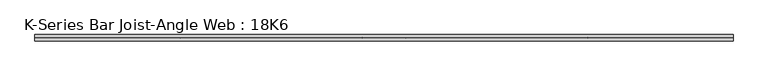
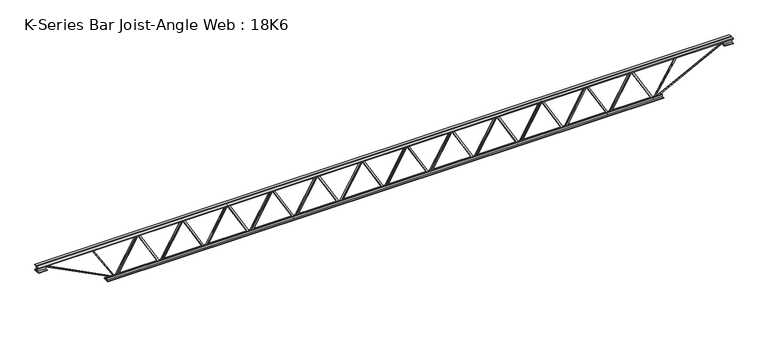
"""IFC4 building model written with IfcOpenShell, lengths in millimetres: beam geometry, K-Series Bar Joist-Angle Web : 18K6."""

from ifc_helpers import new_model, si_unit, frame, origin, place, context, project, spatial, polyline, outline, extrude, faceted_brep, source, transform, mapped, element, save


def k_series_bar_joist_angle_web_18k6_914df001(model_context):
    return source(origin(), model_context, "Body", "SolidModel", [
        extrude(outline(polyline([(-4.7625, 4.7625001), (-4.7625, 0.0), (-17.4625, 0.0), (-17.4625, 4.7625001), (-4.7625, 4.7625001)])), frame((2592.6208348, 0.0, -190.5), z_axis=(-0.500701704226243, 0.0, 0.865619895441952), x_axis=(0.0, -1.0, 0.0)), (0.0, 0.0, 1.0), 440.1469999),
        extrude(outline(polyline([(-225.425, 2624.6666667), (-206.375, 2624.6666667), (-206.375, 2623.8107828), (225.425, 2374.0441162), (225.425, 2355.85), (206.375, 2355.85), (206.375, 2363.0558838), (-225.425, 2612.8225505), (-225.425, 2624.6666667)])), frame((0.0, 0.0, 0.0), z_axis=(0.0, 1.0, 0.0), x_axis=(0.0, 0.0, 1.0)), (0.0, 0.0, 1.0), 4.7625),
        faceted_brep([(2099.7333333, 0.0, -206.375), (2099.7333333, 0.0, -225.425), (2099.7333333, -4.7625, -225.425), (2099.7333333, -4.7625, -206.375), (2100.5892172, 0.0, -206.375), (2350.3558838, 0.0, 225.425), (2368.55, 0.0, 225.425), (2368.55, 0.0, 206.375), (2361.3441162, 0.0, 206.375), (2111.5774495, 0.0, -225.425), (2111.5774495, -4.7625, -225.425), (2131.7791652, -4.7625, -190.5), (2127.6566504, -4.7625, -188.1154081), (2348.0390034, -4.7625, 192.8845919), (2352.1615181, -4.7625, 190.5), (2361.3441162, -4.7625, 206.375), (2368.55, -4.7625, 206.375), (2368.55, -4.7625, 225.425), (2350.3558838, -4.7625, 225.425), (2100.5892172, -4.7625, -206.375), (2352.1615181, -17.4625, 190.5), (2131.7791652, -17.4625, -190.5), (2127.6566504, -17.4625, -188.1154081), (2348.0390034, -17.4625, 192.8845919)], [[[0, 1, 2, 3]], [[1, 0, 4, 5, 6, 7, 8, 9]], [[2, 1, 9, 10]], [[3, 2, 10, 11, 12, 13, 14, 15, 16, 17, 18, 19]], [[0, 3, 19, 4]], [[9, 8, 15, 14, 20, 21, 11, 10]], [[5, 4, 19, 18]], [[7, 6, 17, 16]], [[8, 7, 16, 15]], [[6, 5, 18, 17]], [[21, 22, 12, 11]], [[20, 14, 13, 23]], [[22, 21, 20, 23]], [[12, 22, 23, 13]]]),
        extrude(outline(polyline([(-4.7625, 4.7625), (-4.7625, 0.0), (-17.4625, 0.0), (-17.4625, 4.7625), (-4.7625, 4.7625)])), frame((2067.6875015, 0.0, -190.5), z_axis=(-0.500701704226243, 0.0, 0.865619895441952), x_axis=(0.0, -1.0, 0.0)), (0.0, 0.0, 1.0), 440.1469999),
        extrude(outline(polyline([(-225.425, 2099.7333333), (-206.375, 2099.7333333), (-206.375, 2098.8774495), (225.425, 1849.1107828), (225.425, 1830.9166667), (206.375, 1830.9166667), (206.375, 1838.1225505), (-225.425, 2087.8892172), (-225.425, 2099.7333333)])), frame((0.0, 0.0, 0.0), z_axis=(0.0, 1.0, 0.0), x_axis=(0.0, 0.0, 1.0)), (0.0, 0.0, 1.0), 4.7625),
        faceted_brep([(1574.8, 0.0, -206.375), (1574.8, 0.0, -225.425), (1574.8, -4.7625, -225.425), (1574.8, -4.7625, -206.375), (1575.6558838, 0.0, -206.375), (1825.4225505, 0.0, 225.425), (1843.6166667, 0.0, 225.425), (1843.6166667, 0.0, 206.375), (1836.4107828, 0.0, 206.375), (1586.6441162, 0.0, -225.425), (1586.6441162, -4.7625, -225.425), (1606.8458319, -4.7625, -190.5), (1602.7233171, -4.7625, -188.1154081), (1823.10567, -4.7625, 192.8845919), (1827.2281848, -4.7625, 190.5), (1836.4107828, -4.7625, 206.375), (1843.6166667, -4.7625, 206.375), (1843.6166667, -4.7625, 225.425), (1825.4225505, -4.7625, 225.425), (1575.6558838, -4.7625, -206.375), (1827.2281848, -17.4625, 190.5), (1606.8458319, -17.4625, -190.5), (1602.7233171, -17.4625, -188.1154081), (1823.10567, -17.4625, 192.8845919)], [[[0, 1, 2, 3]], [[1, 0, 4, 5, 6, 7, 8, 9]], [[2, 1, 9, 10]], [[3, 2, 10, 11, 12, 13, 14, 15, 16, 17, 18, 19]], [[0, 3, 19, 4]], [[9, 8, 15, 14, 20, 21, 11, 10]], [[5, 4, 19, 18]], [[7, 6, 17, 16]], [[8, 7, 16, 15]], [[6, 5, 18, 17]], [[21, 22, 12, 11]], [[20, 14, 13, 23]], [[22, 21, 20, 23]], [[12, 22, 23, 13]]]),
        extrude(outline(polyline([(-4.7625, 4.7625001), (-4.7625, 0.0), (-17.4625, 0.0), (-17.4625, 4.7625001), (-4.7625, 4.7625001)])), frame((1542.7541681, 0.0, -190.5), z_axis=(-0.500701704226243, 0.0, 0.865619895441952), x_axis=(0.0, -1.0, 0.0)), (0.0, 0.0, 1.0), 440.1469999),
        extrude(outline(polyline([(-225.425, 1574.8), (-206.375, 1574.8), (-206.375, 1573.9441162), (225.425, 1324.1774495), (225.425, 1305.9833333), (206.375, 1305.9833333), (206.375, 1313.1892172), (-225.425, 1562.9558838), (-225.425, 1574.8)])), frame((0.0, 0.0, 0.0), z_axis=(0.0, 1.0, 0.0), x_axis=(0.0, 0.0, 1.0)), (0.0, 0.0, 1.0), 4.7625),
        faceted_brep([(1049.8666667, 0.0, -206.375), (1049.8666667, 0.0, -225.425), (1049.8666667, -4.7625, -225.425), (1049.8666667, -4.7625, -206.375), (1050.7225505, 0.0, -206.375), (1300.4892172, 0.0, 225.425), (1318.6833333, 0.0, 225.425), (1318.6833333, 0.0, 206.375), (1311.4774495, 0.0, 206.375), (1061.7107828, 0.0, -225.425), (1061.7107828, -4.7625, -225.425), (1081.9124985, -4.7625, -190.5), (1077.7899838, -4.7625, -188.1154081), (1298.1723367, -4.7625, 192.8845919), (1302.2948515, -4.7625, 190.5), (1311.4774495, -4.7625, 206.375), (1318.6833333, -4.7625, 206.375), (1318.6833333, -4.7625, 225.425), (1300.4892172, -4.7625, 225.425), (1050.7225505, -4.7625, -206.375), (1302.2948515, -17.4625, 190.5), (1081.9124985, -17.4625, -190.5), (1077.7899838, -17.4625, -188.1154081), (1298.1723367, -17.4625, 192.8845919)], [[[0, 1, 2, 3]], [[1, 0, 4, 5, 6, 7, 8, 9]], [[2, 1, 9, 10]], [[3, 2, 10, 11, 12, 13, 14, 15, 16, 17, 18, 19]], [[0, 3, 19, 4]], [[9, 8, 15, 14, 20, 21, 11, 10]], [[5, 4, 19, 18]], [[7, 6, 17, 16]], [[8, 7, 16, 15]], [[6, 5, 18, 17]], [[21, 22, 12, 11]], [[20, 14, 13, 23]], [[22, 21, 20, 23]], [[12, 22, 23, 13]]]),
        extrude(outline(polyline([(-4.7625, 4.7625001), (-4.7625, 0.0), (-17.4625, 0.0), (-17.4625, 4.7625001), (-4.7625, 4.7625001)])), frame((1017.8208348, 0.0, -190.5), z_axis=(-0.500701704226243, 0.0, 0.865619895441952), x_axis=(0.0, -1.0, 0.0)), (0.0, 0.0, 1.0), 440.1469999),
        extrude(outline(polyline([(-225.425, 1049.8666667), (-206.375, 1049.8666667), (-206.375, 1049.0107828), (225.425, 799.2441162), (225.425, 781.05), (206.375, 781.05), (206.375, 788.2558838), (-225.425, 1038.0225505), (-225.425, 1049.8666667)])), frame((0.0, 0.0, 0.0), z_axis=(0.0, 1.0, 0.0), x_axis=(0.0, 0.0, 1.0)), (0.0, 0.0, 1.0), 4.7625),
        faceted_brep([(524.9333333, 0.0, -206.375), (524.9333333, 0.0, -225.425), (524.9333333, -4.7625, -225.425), (524.9333333, -4.7625, -206.375), (525.7892172, 0.0, -206.375), (775.5558838, 0.0, 225.425), (793.75, 0.0, 225.425), (793.75, 0.0, 206.375), (786.5441162, 0.0, 206.375), (536.7774495, 0.0, -225.425), (536.7774495, -4.7625, -225.425), (556.9791652, -4.7625, -190.5), (552.8566504, -4.7625, -188.1154081), (773.2390034, -4.7625, 192.8845919), (777.3615181, -4.7625, 190.5), (786.5441162, -4.7625, 206.375), (793.75, -4.7625, 206.375), (793.75, -4.7625, 225.425), (775.5558838, -4.7625, 225.425), (525.7892172, -4.7625, -206.375), (777.3615181, -17.4625, 190.5), (556.9791652, -17.4625, -190.5), (552.8566504, -17.4625, -188.1154081), (773.2390034, -17.4625, 192.8845919)], [[[0, 1, 2, 3]], [[1, 0, 4, 5, 6, 7, 8, 9]], [[2, 1, 9, 10]], [[3, 2, 10, 11, 12, 13, 14, 15, 16, 17, 18, 19]], [[0, 3, 19, 4]], [[9, 8, 15, 14, 20, 21, 11, 10]], [[5, 4, 19, 18]], [[7, 6, 17, 16]], [[8, 7, 16, 15]], [[6, 5, 18, 17]], [[21, 22, 12, 11]], [[20, 14, 13, 23]], [[22, 21, 20, 23]], [[12, 22, 23, 13]]]),
        extrude(outline(polyline([(-4.7625, 4.7625), (-4.7625, 0.0), (-17.4625, 0.0), (-17.4625, 4.7625), (-4.7625, 4.7625)])), frame((492.8875015, 0.0, -190.5), z_axis=(-0.500701704226243, 0.0, 0.865619895441952), x_axis=(0.0, -1.0, 0.0)), (0.0, 0.0, 1.0), 440.1469999),
        extrude(outline(polyline([(-225.425, 524.9333333), (-206.375, 524.9333333), (-206.375, 524.0774495), (225.425, 274.3107828), (225.425, 256.1166667), (206.375, 256.1166667), (206.375, 263.3225505), (-225.425, 513.0892172), (-225.425, 524.9333333)])), frame((0.0, 0.0, 0.0), z_axis=(0.0, 1.0, 0.0), x_axis=(0.0, 0.0, 1.0)), (0.0, 0.0, 1.0), 4.7625),
        faceted_brep([(0.0, 0.0, -206.375), (0.0, 0.0, -225.425), (0.0, -4.7625, -225.425), (0.0, -4.7625, -206.375), (0.8558838, 0.0, -206.375), (250.6225505, 0.0, 225.425), (268.8166667, 0.0, 225.425), (268.8166667, 0.0, 206.375), (261.6107828, 0.0, 206.375), (11.8441162, 0.0, -225.425), (11.8441162, -4.7625, -225.425), (32.0458319, -4.7625, -190.5), (27.9233171, -4.7625, -188.1154081), (248.30567, -4.7625, 192.8845919), (252.4281848, -4.7625, 190.5), (261.6107828, -4.7625, 206.375), (268.8166667, -4.7625, 206.375), (268.8166667, -4.7625, 225.425), (250.6225505, -4.7625, 225.425), (0.8558838, -4.7625, -206.375), (252.4281848, -17.4625, 190.5), (32.0458319, -17.4625, -190.5), (27.9233171, -17.4625, -188.1154081), (248.30567, -17.4625, 192.8845919)], [[[0, 1, 2, 3]], [[1, 0, 4, 5, 6, 7, 8, 9]], [[2, 1, 9, 10]], [[3, 2, 10, 11, 12, 13, 14, 15, 16, 17, 18, 19]], [[0, 3, 19, 4]], [[9, 8, 15, 14, 20, 21, 11, 10]], [[5, 4, 19, 18]], [[7, 6, 17, 16]], [[8, 7, 16, 15]], [[6, 5, 18, 17]], [[21, 22, 12, 11]], [[20, 14, 13, 23]], [[22, 21, 20, 23]], [[12, 22, 23, 13]]]),
        extrude(outline(polyline([(-4.7625, 4.7625001), (-4.7625, 0.0), (-17.4625, 0.0), (-17.4625, 4.7625001), (-4.7625, 4.7625001)])), frame((-32.0458319, 0.0, -190.5), z_axis=(-0.500701704226243, 0.0, 0.865619895441952), x_axis=(0.0, -1.0, 0.0)), (0.0, 0.0, 1.0), 440.1469999),
        extrude(outline(polyline([(-225.425, 0.0), (-206.375, 0.0), (-206.375, -0.8558838), (225.425, -250.6225505), (225.425, -268.8166667), (206.375, -268.8166667), (206.375, -261.6107828), (-225.425, -11.8441162), (-225.425, 0.0)])), frame((0.0, 0.0, 0.0), z_axis=(0.0, 1.0, 0.0), x_axis=(0.0, 0.0, 1.0)), (0.0, 0.0, 1.0), 4.7625),
        faceted_brep([(-524.9333333, 0.0, -206.375), (-524.9333333, 0.0, -225.425), (-524.9333333, -4.7625, -225.425), (-524.9333333, -4.7625, -206.375), (-524.0774495, 0.0, -206.375), (-274.3107828, 0.0, 225.425), (-256.1166667, 0.0, 225.425), (-256.1166667, 0.0, 206.375), (-263.3225505, 0.0, 206.375), (-513.0892172, 0.0, -225.425), (-513.0892172, -4.7625, -225.425), (-492.8875015, -4.7625, -190.5), (-497.0100162, -4.7625, -188.1154081), (-276.6276633, -4.7625, 192.8845919), (-272.5051485, -4.7625, 190.5), (-263.3225505, -4.7625, 206.375), (-256.1166667, -4.7625, 206.375), (-256.1166667, -4.7625, 225.425), (-274.3107828, -4.7625, 225.425), (-524.0774495, -4.7625, -206.375), (-272.5051485, -17.4625, 190.5), (-492.8875015, -17.4625, -190.5), (-497.0100162, -17.4625, -188.1154081), (-276.6276633, -17.4625, 192.8845919)], [[[0, 1, 2, 3]], [[1, 0, 4, 5, 6, 7, 8, 9]], [[2, 1, 9, 10]], [[3, 2, 10, 11, 12, 13, 14, 15, 16, 17, 18, 19]], [[0, 3, 19, 4]], [[9, 8, 15, 14, 20, 21, 11, 10]], [[5, 4, 19, 18]], [[7, 6, 17, 16]], [[8, 7, 16, 15]], [[6, 5, 18, 17]], [[21, 22, 12, 11]], [[20, 14, 13, 23]], [[22, 21, 20, 23]], [[12, 22, 23, 13]]]),
        extrude(outline(polyline([(-4.7625, 4.7625001), (-4.7625, 0.0), (-17.4625, 0.0), (-17.4625, 4.7625001), (-4.7625, 4.7625001)])), frame((-556.9791652, 0.0, -190.5), z_axis=(-0.500701704226243, 0.0, 0.865619895441952), x_axis=(0.0, -1.0, 0.0)), (0.0, 0.0, 1.0), 440.1469999),
        extrude(outline(polyline([(-225.425, -524.9333333), (-206.375, -524.9333333), (-206.375, -525.7892172), (225.425, -775.5558838), (225.425, -793.75), (206.375, -793.75), (206.375, -786.5441162), (-225.425, -536.7774495), (-225.425, -524.9333333)])), frame((0.0, 0.0, 0.0), z_axis=(0.0, 1.0, 0.0), x_axis=(0.0, 0.0, 1.0)), (0.0, 0.0, 1.0), 4.7625),
        faceted_brep([(-1049.8666667, 0.0, -206.375), (-1049.8666667, 0.0, -225.425), (-1049.8666667, -4.7625, -225.425), (-1049.8666667, -4.7625, -206.375), (-1049.0107828, 0.0, -206.375), (-799.2441162, 0.0, 225.425), (-781.05, 0.0, 225.425), (-781.05, 0.0, 206.375), (-788.2558838, 0.0, 206.375), (-1038.0225505, 0.0, -225.425), (-1038.0225505, -4.7625, -225.425), (-1017.8208348, -4.7625, -190.5), (-1021.9433496, -4.7625, -188.1154081), (-801.5609966, -4.7625, 192.8845919), (-797.4384819, -4.7625, 190.5), (-788.2558838, -4.7625, 206.375), (-781.05, -4.7625, 206.375), (-781.05, -4.7625, 225.425), (-799.2441162, -4.7625, 225.425), (-1049.0107828, -4.7625, -206.375), (-797.4384819, -17.4625, 190.5), (-1017.8208348, -17.4625, -190.5), (-1021.9433496, -17.4625, -188.1154081), (-801.5609966, -17.4625, 192.8845919)], [[[0, 1, 2, 3]], [[1, 0, 4, 5, 6, 7, 8, 9]], [[2, 1, 9, 10]], [[3, 2, 10, 11, 12, 13, 14, 15, 16, 17, 18, 19]], [[0, 3, 19, 4]], [[9, 8, 15, 14, 20, 21, 11, 10]], [[5, 4, 19, 18]], [[7, 6, 17, 16]], [[8, 7, 16, 15]], [[6, 5, 18, 17]], [[21, 22, 12, 11]], [[20, 14, 13, 23]], [[22, 21, 20, 23]], [[12, 22, 23, 13]]]),
        extrude(outline(polyline([(-4.7625, 4.7625), (-4.7625, 0.0), (-17.4625, 0.0), (-17.4625, 4.7625), (-4.7625, 4.7625)])), frame((-1081.9124985, 0.0, -190.5), z_axis=(-0.500701704226243, 0.0, 0.865619895441952), x_axis=(0.0, -1.0, 0.0)), (0.0, 0.0, 1.0), 440.1469999),
        extrude(outline(polyline([(-225.425, -1049.8666667), (-206.375, -1049.8666667), (-206.375, -1050.7225505), (225.425, -1300.4892172), (225.425, -1318.6833333), (206.375, -1318.6833333), (206.375, -1311.4774495), (-225.425, -1061.7107828), (-225.425, -1049.8666667)])), frame((0.0, 0.0, 0.0), z_axis=(0.0, 1.0, 0.0), x_axis=(0.0, 0.0, 1.0)), (0.0, 0.0, 1.0), 4.7625),
        faceted_brep([(-1574.8, 0.0, -206.375), (-1574.8, 0.0, -225.425), (-1574.8, -4.7625, -225.425), (-1574.8, -4.7625, -206.375), (-1573.9441162, 0.0, -206.375), (-1324.1774495, 0.0, 225.425), (-1305.9833333, 0.0, 225.425), (-1305.9833333, 0.0, 206.375), (-1313.1892172, 0.0, 206.375), (-1562.9558838, 0.0, -225.425), (-1562.9558838, -4.7625, -225.425), (-1542.7541681, -4.7625, -190.5), (-1546.8766829, -4.7625, -188.1154081), (-1326.49433, -4.7625, 192.8845919), (-1322.3718152, -4.7625, 190.5), (-1313.1892172, -4.7625, 206.375), (-1305.9833333, -4.7625, 206.375), (-1305.9833333, -4.7625, 225.425), (-1324.1774495, -4.7625, 225.425), (-1573.9441162, -4.7625, -206.375), (-1322.3718152, -17.4625, 190.5), (-1542.7541681, -17.4625, -190.5), (-1546.8766829, -17.4625, -188.1154081), (-1326.49433, -17.4625, 192.8845919)], [[[0, 1, 2, 3]], [[1, 0, 4, 5, 6, 7, 8, 9]], [[2, 1, 9, 10]], [[3, 2, 10, 11, 12, 13, 14, 15, 16, 17, 18, 19]], [[0, 3, 19, 4]], [[9, 8, 15, 14, 20, 21, 11, 10]], [[5, 4, 19, 18]], [[7, 6, 17, 16]], [[8, 7, 16, 15]], [[6, 5, 18, 17]], [[21, 22, 12, 11]], [[20, 14, 13, 23]], [[22, 21, 20, 23]], [[12, 22, 23, 13]]]),
        extrude(outline(polyline([(-4.7625, 4.7625001), (-4.7625, 0.0), (-17.4625, 0.0), (-17.4625, 4.7625001), (-4.7625, 4.7625001)])), frame((-1606.8458319, 0.0, -190.5), z_axis=(-0.500701704226243, 0.0, 0.865619895441952), x_axis=(0.0, -1.0, 0.0)), (0.0, 0.0, 1.0), 440.1469999),
        extrude(outline(polyline([(-225.425, -1574.8), (-206.375, -1574.8), (-206.375, -1575.6558838), (225.425, -1825.4225505), (225.425, -1843.6166667), (206.375, -1843.6166667), (206.375, -1836.4107828), (-225.425, -1586.6441162), (-225.425, -1574.8)])), frame((0.0, 0.0, 0.0), z_axis=(0.0, 1.0, 0.0), x_axis=(0.0, 0.0, 1.0)), (0.0, 0.0, 1.0), 4.7625),
        faceted_brep([(-2099.7333333, 0.0, -206.375), (-2099.7333333, 0.0, -225.425), (-2099.7333333, -4.7625, -225.425), (-2099.7333333, -4.7625, -206.375), (-2098.8774495, 0.0, -206.375), (-1849.1107828, 0.0, 225.425), (-1830.9166667, 0.0, 225.425), (-1830.9166667, 0.0, 206.375), (-1838.1225505, 0.0, 206.375), (-2087.8892172, 0.0, -225.425), (-2087.8892172, -4.7625, -225.425), (-2067.6875015, -4.7625, -190.5), (-2071.8100162, -4.7625, -188.1154081), (-1851.4276633, -4.7625, 192.8845919), (-1847.3051485, -4.7625, 190.5), (-1838.1225505, -4.7625, 206.375), (-1830.9166667, -4.7625, 206.375), (-1830.9166667, -4.7625, 225.425), (-1849.1107828, -4.7625, 225.425), (-2098.8774495, -4.7625, -206.375), (-1847.3051485, -17.4625, 190.5), (-2067.6875015, -17.4625, -190.5), (-2071.8100162, -17.4625, -188.1154081), (-1851.4276633, -17.4625, 192.8845919)], [[[0, 1, 2, 3]], [[1, 0, 4, 5, 6, 7, 8, 9]], [[2, 1, 9, 10]], [[3, 2, 10, 11, 12, 13, 14, 15, 16, 17, 18, 19]], [[0, 3, 19, 4]], [[9, 8, 15, 14, 20, 21, 11, 10]], [[5, 4, 19, 18]], [[7, 6, 17, 16]], [[8, 7, 16, 15]], [[6, 5, 18, 17]], [[21, 22, 12, 11]], [[20, 14, 13, 23]], [[22, 21, 20, 23]], [[12, 22, 23, 13]]]),
        extrude(outline(polyline([(-4.7625, 4.7625001), (-4.7625, 0.0), (-17.4625, 0.0), (-17.4625, 4.7625001), (-4.7625, 4.7625001)])), frame((-2131.7791652, 0.0, -190.5), z_axis=(-0.500701704226243, 0.0, 0.865619895441952), x_axis=(0.0, -1.0, 0.0)), (0.0, 0.0, 1.0), 440.1469999),
        extrude(outline(polyline([(-225.425, -2099.7333333), (-206.375, -2099.7333333), (-206.375, -2100.5892172), (225.425, -2350.3558838), (225.425, -2368.55), (206.375, -2368.55), (206.375, -2361.3441162), (-225.425, -2111.5774495), (-225.425, -2099.7333333)])), frame((0.0, 0.0, 0.0), z_axis=(0.0, 1.0, 0.0), x_axis=(0.0, 0.0, 1.0)), (0.0, 0.0, 1.0), 4.7625),
        faceted_brep([(-2624.6666667, 0.0, -206.375), (-2624.6666667, 0.0, -225.425), (-2624.6666667, -4.7625, -225.425), (-2624.6666667, -4.7625, -206.375), (-2623.8107828, 0.0, -206.375), (-2374.0441162, 0.0, 225.425), (-2355.85, 0.0, 225.425), (-2355.85, 0.0, 206.375), (-2363.0558838, 0.0, 206.375), (-2612.8225505, 0.0, -225.425), (-2612.8225505, -4.7625, -225.425), (-2592.6208348, -4.7625, -190.5), (-2596.7433496, -4.7625, -188.1154081), (-2376.3609966, -4.7625, 192.8845919), (-2372.2384819, -4.7625, 190.5), (-2363.0558838, -4.7625, 206.375), (-2355.85, -4.7625, 206.375), (-2355.85, -4.7625, 225.425), (-2374.0441162, -4.7625, 225.425), (-2623.8107828, -4.7625, -206.375), (-2372.2384819, -17.4625, 190.5), (-2592.6208348, -17.4625, -190.5), (-2596.7433496, -17.4625, -188.1154081), (-2376.3609966, -17.4625, 192.8845919)], [[[0, 1, 2, 3]], [[1, 0, 4, 5, 6, 7, 8, 9]], [[2, 1, 9, 10]], [[3, 2, 10, 11, 12, 13, 14, 15, 16, 17, 18, 19]], [[0, 3, 19, 4]], [[9, 8, 15, 14, 20, 21, 11, 10]], [[5, 4, 19, 18]], [[7, 6, 17, 16]], [[8, 7, 16, 15]], [[6, 5, 18, 17]], [[21, 22, 12, 11]], [[20, 14, 13, 23]], [[22, 21, 20, 23]], [[12, 22, 23, 13]]]),
        extrude(outline(polyline([(-4.7625, 4.7625001), (-4.7625, 0.0), (-17.4625, 0.0), (-17.4625, 4.7625001), (-4.7625, 4.7625001)])), frame((3117.5541681, 0.0, -190.5), z_axis=(-0.500701704226243, 0.0, 0.865619895441952), x_axis=(0.0, -1.0, 0.0)), (0.0, 0.0, 1.0), 440.1469999),
        extrude(outline(polyline([(-225.425, 3149.6), (-206.375, 3149.6), (-206.375, 3148.7441162), (225.425, 2898.9774495), (225.425, 2880.7833333), (206.375, 2880.7833333), (206.375, 2887.9892172), (-225.425, 3137.7558838), (-225.425, 3149.6)])), frame((0.0, 0.0, 0.0), z_axis=(0.0, 1.0, 0.0), x_axis=(0.0, 0.0, 1.0)), (0.0, 0.0, 1.0), 4.7625),
        faceted_brep([(2624.6666667, 0.0, -206.375), (2624.6666667, 0.0, -225.425), (2624.6666667, -4.7625, -225.425), (2624.6666667, -4.7625, -206.375), (2625.5225505, 0.0, -206.375), (2875.2892172, 0.0, 225.425), (2893.4833333, 0.0, 225.425), (2893.4833333, 0.0, 206.375), (2886.2774495, 0.0, 206.375), (2636.5107828, 0.0, -225.425), (2636.5107828, -4.7625, -225.425), (2656.7124985, -4.7625, -190.5), (2652.5899838, -4.7625, -188.1154081), (2872.9723367, -4.7625, 192.8845919), (2877.0948515, -4.7625, 190.5), (2886.2774495, -4.7625, 206.375), (2893.4833333, -4.7625, 206.375), (2893.4833333, -4.7625, 225.425), (2875.2892172, -4.7625, 225.425), (2625.5225505, -4.7625, -206.375), (2877.0948515, -17.4625, 190.5), (2656.7124985, -17.4625, -190.5), (2652.5899838, -17.4625, -188.1154081), (2872.9723367, -17.4625, 192.8845919)], [[[0, 1, 2, 3]], [[1, 0, 4, 5, 6, 7, 8, 9]], [[2, 1, 9, 10]], [[3, 2, 10, 11, 12, 13, 14, 15, 16, 17, 18, 19]], [[0, 3, 19, 4]], [[9, 8, 15, 14, 20, 21, 11, 10]], [[5, 4, 19, 18]], [[7, 6, 17, 16]], [[8, 7, 16, 15]], [[6, 5, 18, 17]], [[21, 22, 12, 11]], [[20, 14, 13, 23]], [[22, 21, 20, 23]], [[12, 22, 23, 13]]]),
        extrude(outline(polyline([(-4.7625, 4.7625), (-4.7625, 0.0), (-17.4625, 0.0), (-17.4625, 4.7625), (-4.7625, 4.7625)])), frame((-2656.7124985, 0.0, -190.5), z_axis=(-0.500701704226243, 0.0, 0.865619895441952), x_axis=(0.0, -1.0, 0.0)), (0.0, 0.0, 1.0), 440.1469999),
        extrude(outline(polyline([(-225.425, -2624.6666667), (-206.375, -2624.6666667), (-206.375, -2625.5225505), (225.425, -2875.2892172), (225.425, -2893.4833333), (206.375, -2893.4833333), (206.375, -2886.2774495), (-225.425, -2636.5107828), (-225.425, -2624.6666667)])), frame((0.0, 0.0, 0.0), z_axis=(0.0, 1.0, 0.0), x_axis=(0.0, 0.0, 1.0)), (0.0, 0.0, 1.0), 4.7625),
        faceted_brep([(-3149.6, 0.0, -206.375), (-3149.6, 0.0, -225.425), (-3149.6, -4.7625, -225.425), (-3149.6, -4.7625, -206.375), (-3148.7441162, 0.0, -206.375), (-2898.9774495, 0.0, 225.425), (-2880.7833333, 0.0, 225.425), (-2880.7833333, 0.0, 206.375), (-2887.9892172, 0.0, 206.375), (-3137.7558838, 0.0, -225.425), (-3137.7558838, -4.7625, -225.425), (-3117.5541681, -4.7625, -190.5), (-3121.6766829, -4.7625, -188.1154081), (-2901.29433, -4.7625, 192.8845919), (-2897.1718152, -4.7625, 190.5), (-2887.9892172, -4.7625, 206.375), (-2880.7833333, -4.7625, 206.375), (-2880.7833333, -4.7625, 225.425), (-2898.9774495, -4.7625, 225.425), (-3148.7441162, -4.7625, -206.375), (-2897.1718152, -17.4625, 190.5), (-3117.5541681, -17.4625, -190.5), (-3121.6766829, -17.4625, -188.1154081), (-2901.29433, -17.4625, 192.8845919)], [[[0, 1, 2, 3]], [[1, 0, 4, 5, 6, 7, 8, 9]], [[2, 1, 9, 10]], [[3, 2, 10, 11, 12, 13, 14, 15, 16, 17, 18, 19]], [[0, 3, 19, 4]], [[9, 8, 15, 14, 20, 21, 11, 10]], [[5, 4, 19, 18]], [[7, 6, 17, 16]], [[8, 7, 16, 15]], [[6, 5, 18, 17]], [[21, 22, 12, 11]], [[20, 14, 13, 23]], [[22, 21, 20, 23]], [[12, 22, 23, 13]]]),
        extrude(outline(polyline([(4.7625, 228.6), (36.5125, 228.6), (36.5125, 222.25), (11.1125, 222.25), (11.1125, 196.85), (4.7625, 196.85), (4.7625, 228.6)])), frame((-4064.0, 0.0, 0.0), z_axis=(1.0, 0.0, 0.0), x_axis=(0.0, 1.0, 0.0)), (0.0, 0.0, 1.0), 8128.0),
        extrude(outline(polyline([(-4.7625, 228.6), (-4.7625, 196.85), (-11.1125, 196.85), (-11.1125, 222.25), (-36.5125, 222.25), (-36.5125, 228.6), (-4.7625, 228.6)])), frame((-4064.0, 0.0, 0.0), z_axis=(1.0, 0.0, 0.0), x_axis=(0.0, 1.0, 0.0)), (0.0, 0.0, 1.0), 8128.0),
        extrude(outline(polyline([(-4.7625, 165.1), (-36.5125, 165.1), (-36.5125, 171.45), (-11.1125, 171.45), (-11.1125, 196.85), (-4.7625, 196.85), (-4.7625, 165.1)])), frame((-4064.0, 0.0, 0.0), z_axis=(1.0, 0.0, 0.0), x_axis=(0.0, 1.0, 0.0)), (0.0, 0.0, 1.0), 101.6),
        extrude(outline(polyline([(36.5125, 165.1), (4.7625, 165.1), (4.7625, 196.85), (11.1125, 196.85), (11.1125, 171.45), (36.5125, 171.45), (36.5125, 165.1)])), frame((-4064.0, 0.0, 0.0), z_axis=(1.0, 0.0, 0.0), x_axis=(0.0, 1.0, 0.0)), (0.0, 0.0, 1.0), 101.6),
        extrude(outline(polyline([(4.7625, 165.1), (4.7625, 196.85), (11.1125, 196.85), (11.1125, 171.45), (36.5125, 171.45), (36.5125, 165.1), (4.7625, 165.1)])), frame((3962.4, 0.0, 0.0), z_axis=(1.0, 0.0, 0.0), x_axis=(0.0, 1.0, 0.0)), (0.0, 0.0, 1.0), 101.6),
        extrude(outline(polyline([(-4.7625, 165.1), (-36.5125, 165.1), (-36.5125, 171.45), (-11.1125, 171.45), (-11.1125, 196.85), (-4.7625, 196.85), (-4.7625, 165.1)])), frame((3962.4, 0.0, 0.0), z_axis=(1.0, 0.0, 0.0), x_axis=(0.0, 1.0, 0.0)), (0.0, 0.0, 1.0), 101.6),
        extrude(outline(polyline([(4.7625, -228.6), (4.7625, -196.85), (11.1125, -196.85), (11.1125, -222.25), (36.5125, -222.25), (36.5125, -228.6), (4.7625, -228.6)])), frame((-3251.2, 0.0, 0.0), z_axis=(1.0, 0.0, 0.0), x_axis=(0.0, 1.0, 0.0)), (0.0, 0.0, 1.0), 6502.4),
        extrude(outline(polyline([(-4.7625, -228.6), (-36.5125, -228.6), (-36.5125, -222.25), (-11.1125, -222.25), (-11.1125, -196.85), (-4.7625, -196.85), (-4.7625, -228.6)])), frame((-3251.2, 0.0, 0.0), z_axis=(1.0, 0.0, 0.0), x_axis=(0.0, 1.0, 0.0)), (0.0, 0.0, 1.0), 6502.4),
        extrude(outline(polyline([(4.7625, 4.7625), (4.7625, -4.7625), (-4.7625, -4.7625), (-4.7625, 4.7625), (4.7625, 4.7625)])), frame((3149.6, 0.0, -222.25), z_axis=(0.5307682299161429, 0.0, 0.847517012284523), x_axis=(0.0, -1.0, 0.0)), (0.0, 0.0, 1.0), 494.5033479),
        extrude(outline(polyline([(4.7625, 4.7625), (4.7625, -4.7625), (-4.7625, -4.7625), (-4.7625, 4.7625), (4.7625, 4.7625)])), frame((-3149.6, 0.0, -222.25), z_axis=(-0.5307682299161163, 0.0, 0.8475170122845398), x_axis=(0.0, -1.0, 0.0)), (0.0, 0.0, 1.0), 494.5033479),
        extrude(outline(polyline([(0.0, -9.525), (0.0, 0.0), (914.4881902, 0.0), (914.4881902, -9.525), (0.0, -9.525)])), frame((3964.582602, -4.7625, 192.6170749), z_axis=(-0.4582891331946206, 0.0, 0.8888031674086919), x_axis=(-0.8888031674086919, 0.0, -0.4582891331946206)), (0.0, 0.0, 1.0), 9.525),
        extrude(outline(polyline([(0.0, -9.525), (0.0, 0.0), (914.4881902, 0.0), (914.4881902, -9.525), (0.0, -9.525)])), frame((-3964.582602, 4.7625, 192.6170749), z_axis=(0.4582891331946201, 0.0, 0.8888031674086923), x_axis=(0.8888031674086923, 0.0, -0.4582891331946201)), (0.0, 0.0, 1.0), 9.525),
    ])


if __name__ == "__main__":
    model = new_model("IFC4")
    model_context = context("Model", 3, world=origin())
    ifc_project = project(units=[si_unit("LENGTHUNIT", "METRE", prefix="MILLI")], contexts=[model_context])
    site = spatial("IfcSite", under=ifc_project)
    building = spatial("IfcBuilding", under=site)
    placement = place(None, origin())
    k_series_bar_joist_angle_web_18k6_shape = k_series_bar_joist_angle_web_18k6_914df001(model_context)
    element("IfcBeam", 1, ObjectType="K-Series Bar Joist-Angle Web : 18K6", at=placement, inside=building, context=model_context, shape_type="MappedRepresentation", body=[
        mapped(k_series_bar_joist_angle_web_18k6_shape, transform((0.0, 0.0, 0.0), x_axis=(1.0, 0.0, 0.0), y_axis=(0.0, 1.0, 0.0), z_axis=(0.0, 0.0, 1.0))),
    ])
    save(model, "model.ifc")
